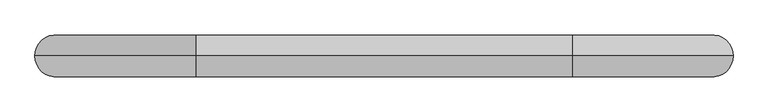
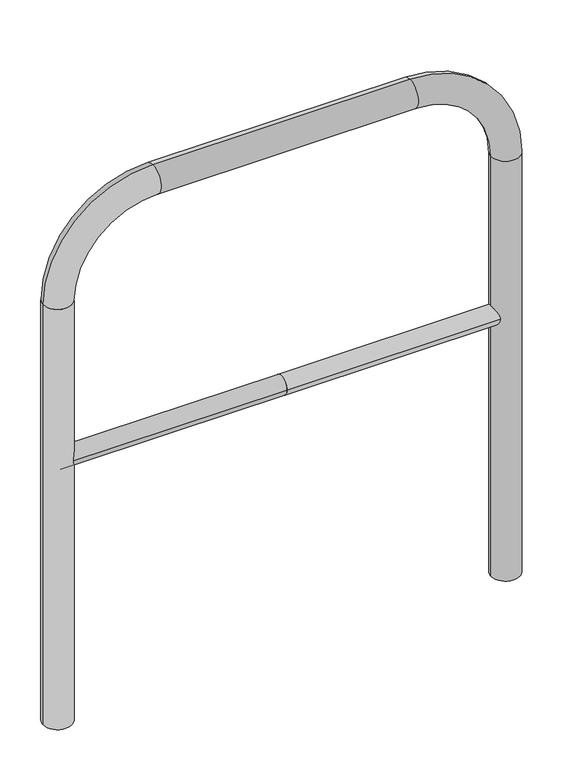
"""IFC4 building model written with IfcOpenShell, lengths in millimetres: proxy geometry."""

from ifc_helpers import new_model, si_unit, point, frame, frame_2d, origin, place, context, project, spatial, circle_curve, ellipse_curve, trimmed, segment, composite_curve, outline, extrude, source, transform, mapped, element, save
from ifc_brep_helpers import plane_surface, cylinder_surface, revolved_surface, advanced_brep


def generic_models_2b257448(model_context):
    return source(origin(), model_context, "Body", "SolidModel", [
        extrude(outline(composite_curve([segment(trimmed(circle_curve(frame_2d((0.0, 498.4778375)), 20.0), [point((-20.0, 498.4778375))], [point((20.0, 498.4778375))], False, "CARTESIAN"), True, "CONTINUOUS"), segment(trimmed(circle_curve(frame_2d((0.0, 498.4778375)), 20.0), [point((20.0, 498.4778375))], [point((-20.0, 498.4778375))], False, "CARTESIAN"), True, "CONTINUOUS")], self_intersect=False)), frame((-469.5462929, 0.0, 0.0), z_axis=(1.0, 0.0, 0.0), x_axis=(0.0, 1.0, 0.0)), (0.0, 0.0, 1.0), 469.5462929),
        extrude(outline(composite_curve([segment(trimmed(circle_curve(frame_2d((0.0, 498.4778375)), 20.0), [point((-20.0, 498.4778375))], [point((20.0, 498.4778375))], False, "CARTESIAN"), True, "CONTINUOUS"), segment(trimmed(circle_curve(frame_2d((0.0, 498.4778375)), 20.0), [point((20.0, 498.4778375))], [point((-20.0, 498.4778375))], False, "CARTESIAN"), True, "CONTINUOUS")], self_intersect=False)), frame((0.0, 0.0, 0.0), z_axis=(1.0, 0.0, 0.0), x_axis=(0.0, 1.0, 0.0)), (0.0, 0.0, 1.0), 469.5462929),
        advanced_brep(
        [(-439.5462929, 0.0, -80.0), (-499.5462929, 0.0, -80.0), (-439.5462929, 0.0, 850.0), (-499.5462929, 0.0, 850.0), (-269.5462929, 0.0, 1080.0), (-269.5462929, 0.0, 1020.0), (269.5462929, 0.0, 1020.0), (269.5462929, 0.0, 1080.0), (499.5462929, 0.0, 850.0), (439.5462929, 0.0, 850.0), (439.5462929, 0.0, -80.0), (499.5462929, 0.0, -80.0)],
        [
            (0, 1, circle_curve(frame((-469.5462929, 0.0, -80.0), z_axis=(0.0, 0.0, -1.0), x_axis=(-1.0, 0.0, 0.0)), 30.0)),
            (1, 0, circle_curve(frame((-469.5462929, 0.0, -80.0), z_axis=(0.0, 0.0, -1.0), x_axis=(-1.0, 0.0, 0.0)), 30.0)),
            (0, 2),
            (2, 3, circle_curve(frame((-469.5462929, 0.0, 850.0), z_axis=(0.0, 0.0, -1.0), x_axis=(-1.0, 0.0, 0.0)), 30.0)),
            (3, 1),
            (3, 2, circle_curve(frame((-469.5462929, 0.0, 850.0), z_axis=(0.0, 0.0, -1.0), x_axis=(-1.0, 0.0, 0.0)), 30.0)),
            (4, 3, circle_curve(frame((-269.5462929, 0.0, 850.0), z_axis=(0.0, -1.0, 0.0), x_axis=(-1.0, 0.0, 0.0)), 230.0)),
            (2, 5, circle_curve(frame((-269.5462929, 0.0, 850.0), z_axis=(0.0, 1.0, 0.0), x_axis=(-1.0, 0.0, 0.0)), 170.0)),
            (5, 4, circle_curve(frame((-269.5462929, 0.0, 1050.0), z_axis=(-1.0, 0.0, 0.0), x_axis=(0.0, 0.0, 1.0)), 30.0)),
            (4, 5, circle_curve(frame((-269.5462929, 0.0, 1050.0), z_axis=(-1.0, 0.0, 0.0), x_axis=(0.0, 0.0, 1.0)), 30.0)),
            (5, 6),
            (6, 7, circle_curve(frame((269.5462929, 0.0, 1050.0), z_axis=(-1.0, 0.0, 0.0), x_axis=(0.0, 0.0, 1.0)), 30.0)),
            (7, 4),
            (7, 6, circle_curve(frame((269.5462929, 0.0, 1050.0), z_axis=(-1.0, 0.0, 0.0), x_axis=(0.0, 0.0, 1.0)), 30.0)),
            (8, 7, circle_curve(frame((269.5462929, 0.0, 850.0), z_axis=(0.0, -1.0, 0.0), x_axis=(0.0, 0.0, 1.0)), 230.0)),
            (6, 9, circle_curve(frame((269.5462929, 0.0, 850.0), z_axis=(0.0, 1.0, 0.0), x_axis=(0.0, 0.0, 1.0)), 170.0)),
            (9, 8, circle_curve(frame((469.5462929, 0.0, 850.0), z_axis=(0.0, 0.0, 1.0), x_axis=(1.0, 0.0, 0.0)), 30.0)),
            (8, 9, circle_curve(frame((469.5462929, 0.0, 850.0), z_axis=(0.0, 0.0, 1.0), x_axis=(1.0, 0.0, 0.0)), 30.0)),
            (10, 11, circle_curve(frame((469.5462929, 0.0, -80.0), z_axis=(0.0, 0.0, -1.0), x_axis=(1.0, 0.0, 0.0)), 30.0)),
            (11, 10, circle_curve(frame((469.5462929, 0.0, -80.0), z_axis=(0.0, 0.0, -1.0), x_axis=(1.0, 0.0, 0.0)), 30.0)),
            (9, 10),
            (11, 8),
        ],
        [
            plane_surface(frame((-469.5462929, 0.0, -80.0), z_axis=(0.0, 0.0, -1.0), x_axis=(0.0, -1.0, 0.0))),
            cylinder_surface(frame((-469.5462929, 0.0, -80.0), z_axis=(0.0, 0.0, -1.0), x_axis=(-1.0, 0.0, 0.0)), 30.0),
            revolved_surface(trimmed(ellipse_curve(frame((-469.5462929, 0.0, 850.0), z_axis=(0.0, 0.0, -1.0), x_axis=(-1.0, 0.0, 0.0)), 30.0, 30.0), [point((-439.5462929, 0.0, 850.0))], [point((-499.5462929, 0.0, 850.0))], True, "CARTESIAN"), (-269.5462929, 0.0, 850.0), (0.0, 1.0, 0.0)),
            revolved_surface(trimmed(ellipse_curve(frame((-469.5462929, 0.0, 850.0), z_axis=(0.0, 0.0, -1.0), x_axis=(-1.0, 0.0, 0.0)), 30.0, 30.0), [point((-499.5462929, 0.0, 850.0))], [point((-439.5462929, 0.0, 850.0))], True, "CARTESIAN"), (-269.5462929, 0.0, 850.0), (0.0, 1.0, 0.0)),
            cylinder_surface(frame((-269.5462929, 0.0, 1050.0), z_axis=(-1.0, 0.0, 0.0), x_axis=(0.0, 0.0, 1.0)), 30.0),
            revolved_surface(trimmed(ellipse_curve(frame((269.5462929, 0.0, 1050.0), z_axis=(-1.0, 0.0, 0.0), x_axis=(0.0, 0.0, 1.0)), 30.0, 30.0), [point((269.5462929, 0.0, 1020.0))], [point((269.5462929, 0.0, 1080.0))], True, "CARTESIAN"), (269.5462929, 0.0, 850.0), (0.0, 1.0, 0.0)),
            revolved_surface(trimmed(ellipse_curve(frame((269.5462929, 0.0, 1050.0), z_axis=(-1.0, 0.0, 0.0), x_axis=(0.0, 0.0, 1.0)), 30.0, 30.0), [point((269.5462929, 0.0, 1080.0))], [point((269.5462929, 0.0, 1020.0))], True, "CARTESIAN"), (269.5462929, 0.0, 850.0), (0.0, 1.0, 0.0)),
            plane_surface(frame((469.5462929, 0.0, -80.0), z_axis=(0.0, 0.0, -1.0), x_axis=(0.0, -1.0, 0.0))),
            cylinder_surface(frame((469.5462929, 0.0, 850.0), z_axis=(0.0, 0.0, 1.0), x_axis=(1.0, 0.0, 0.0)), 30.0),
        ],
        [
            (0, [[1, 2]]),
            (1, [[-1, 3, 4, 5]]),
            (1, [[-2, -5, 6, -3]]),
            (2, [[7, -4, 8, 9]]),
            (3, [[-8, -6, -7, 10]]),
            (4, [[-9, 11, 12, 13]]),
            (4, [[-10, -13, 14, -11]]),
            (5, [[15, -12, 16, 17]]),
            (6, [[-16, -14, -15, 18]]),
            (7, [[19, 20]]),
            (8, [[-17, 21, -20, 22]]),
            (8, [[-18, -22, -19, -21]]),
        ],
    ),
    ])


if __name__ == "__main__":
    model = new_model("IFC4")
    model_context = context("Model", 3, world=origin())
    ifc_project = project(units=[si_unit("LENGTHUNIT", "METRE", prefix="MILLI")], contexts=[model_context])
    site = spatial("IfcSite", under=ifc_project)
    building = spatial("IfcBuilding", under=site)
    placement = place(None, origin())
    generic_models_shape = generic_models_2b257448(model_context)
    element("IfcBuildingElementProxy", 1, Name="Generic Models", at=placement, inside=building, context=model_context, shape_type="MappedRepresentation", body=[
        mapped(generic_models_shape, transform((0.0, 0.0, 0.0), x_axis=(1.0, 0.0, 0.0), y_axis=(0.0, 1.0, 0.0), z_axis=(0.0, 0.0, 1.0))),
    ])
    save(model, "model.ifc")
